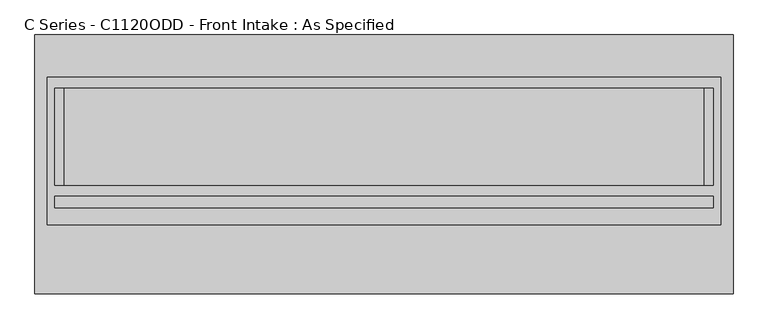
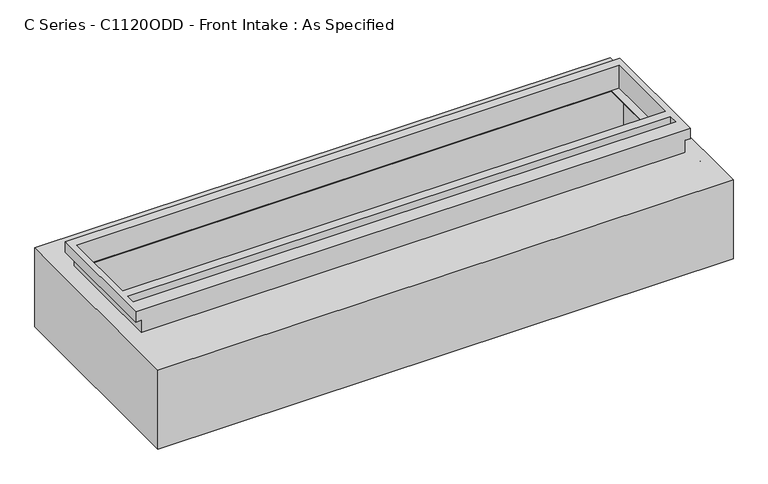
"""IFC4 building model written with IfcOpenShell, lengths in millimetres: proxy geometry, C Series - C1120ODD - Front Intake : As Specified."""

from ifc_helpers import new_model, si_unit, frame, origin, place, context, project, spatial, polyline, circle_curve, faceted_brep, source, transform, mapped, element, save
from ifc_brep_helpers import plane_surface, revolved_surface, advanced_brep


def c_series_c1120odd_front_intake_as_specified_7aa7cb8e(model_context):
    return source(origin(), model_context, "Body", "SolidModel", [
        advanced_brep(
        [(1831.18125, 678.7058594, -530.3242188), (1831.18125, -678.7058594, -530.3242188), (-1831.18125, -678.7058594, -530.3242188), (-1831.18125, 678.7058594, -530.3242188), (1831.18125, 678.7058594, 0.0), (-1831.18125, 678.7058594, 0.0), (-1831.18125, -678.7058594, 0.0), (1831.18125, -678.7058594, 0.0), (1676.4, 399.2065905, 0.0), (1676.4, -108.7933661, 0.0), (-1676.4, -108.7933661, 0.0), (-1676.4, 399.2065905, 0.0), (1831.18125, -318.2441406, -430.3117188), (1831.18125, -340.4691406, -430.3117188), (1831.18125, -216.6441406, -430.3117188), (1831.18125, -238.8691406, -430.3117188), (1831.18125, -318.2441406, -100.1117188), (1831.18125, -340.4691406, -100.1117188), (1831.18125, -216.6441406, -100.1117188), (1831.18125, -238.8691406, -100.1117188), (1765.3, 416.7683594, -527.05), (-1765.3, 416.7683594, -527.05), (-1765.3, -129.3316406, -527.05), (1765.3, -129.3316406, -527.05), (1765.3, 416.7683594, -3.175), (1765.3, -129.3316406, -3.175), (-1765.3, -129.3316406, -3.175), (-1765.3, 416.7683594, -3.175), (1676.4, -108.7933661, -3.175), (1676.4, 399.2065905, -3.175), (-1676.4, 399.2065905, -3.175), (-1676.4, -108.7933661, -3.175), (1815.328271, -340.4691406, -430.3117188), (1815.328271, -318.2441406, -430.3117188), (1815.328271, -238.8691406, -430.3117188), (1815.328271, -216.6441406, -430.3117188), (1815.328271, -340.4691406, -100.1117188), (1815.328271, -318.2441406, -100.1117188), (1815.328271, -238.8691406, -100.1117188), (1815.328271, -216.6441406, -100.1117188)],
        [
            (0, 1),
            (1, 2),
            (2, 3),
            (3, 0),
            (4, 5),
            (5, 6),
            (6, 7),
            (7, 4),
            (8, 9),
            (9, 10),
            (10, 11),
            (11, 8),
            (3, 5),
            (4, 0),
            (2, 6),
            (1, 7),
            (12, 13, circle_curve(frame((1831.18125, -329.3566406, -430.3117188), z_axis=(-1.0, 0.0, 0.0), x_axis=(0.0, 1.0, 0.0)), 11.1125)),
            (13, 12, circle_curve(frame((1831.18125, -329.3566406, -430.3117188), z_axis=(-1.0, 0.0, 0.0), x_axis=(0.0, 1.0, 0.0)), 11.1125)),
            (14, 15, circle_curve(frame((1831.18125, -227.7566406, -430.3117188), z_axis=(-1.0, 0.0, 0.0), x_axis=(0.0, 1.0, 0.0)), 11.1125)),
            (15, 14, circle_curve(frame((1831.18125, -227.7566406, -430.3117188), z_axis=(-1.0, 0.0, 0.0), x_axis=(0.0, 1.0, 0.0)), 11.1125)),
            (16, 17, circle_curve(frame((1831.18125, -329.3566406, -100.1117188), z_axis=(-1.0, 0.0, 0.0), x_axis=(0.0, 1.0, 0.0)), 11.1125)),
            (17, 16, circle_curve(frame((1831.18125, -329.3566406, -100.1117188), z_axis=(-1.0, 0.0, 0.0), x_axis=(0.0, 1.0, 0.0)), 11.1125)),
            (18, 19, circle_curve(frame((1831.18125, -227.7566406, -100.1117188), z_axis=(-1.0, 0.0, 0.0), x_axis=(0.0, 1.0, 0.0)), 11.1125)),
            (19, 18, circle_curve(frame((1831.18125, -227.7566406, -100.1117188), z_axis=(-1.0, 0.0, 0.0), x_axis=(0.0, 1.0, 0.0)), 11.1125)),
            (20, 21),
            (21, 22),
            (22, 23),
            (23, 20),
            (24, 25),
            (25, 26),
            (26, 27),
            (27, 24),
            (28, 29),
            (29, 30),
            (30, 31),
            (31, 28),
            (23, 25),
            (24, 20),
            (22, 26),
            (21, 27),
            (8, 29),
            (28, 9),
            (31, 10),
            (30, 11),
            (32, 33, circle_curve(frame((1815.328271, -329.3566406, -430.3117188), z_axis=(1.0, 0.0, 0.0), x_axis=(0.0, 1.0, 0.0)), 11.1125)),
            (33, 32, circle_curve(frame((1815.328271, -329.3566406, -430.3117188), z_axis=(1.0, 0.0, 0.0), x_axis=(0.0, 1.0, 0.0)), 11.1125)),
            (34, 35, circle_curve(frame((1815.328271, -227.7566406, -430.3117188), z_axis=(1.0, 0.0, 0.0), x_axis=(0.0, 1.0, 0.0)), 11.1125)),
            (35, 34, circle_curve(frame((1815.328271, -227.7566406, -430.3117188), z_axis=(1.0, 0.0, 0.0), x_axis=(0.0, 1.0, 0.0)), 11.1125)),
            (36, 37, circle_curve(frame((1815.328271, -329.3566406, -100.1117188), z_axis=(1.0, 0.0, 0.0), x_axis=(0.0, 1.0, 0.0)), 11.1125)),
            (37, 36, circle_curve(frame((1815.328271, -329.3566406, -100.1117188), z_axis=(1.0, 0.0, 0.0), x_axis=(0.0, 1.0, 0.0)), 11.1125)),
            (38, 39, circle_curve(frame((1815.328271, -227.7566406, -100.1117188), z_axis=(1.0, 0.0, 0.0), x_axis=(0.0, 1.0, 0.0)), 11.1125)),
            (39, 38, circle_curve(frame((1815.328271, -227.7566406, -100.1117188), z_axis=(1.0, 0.0, 0.0), x_axis=(0.0, 1.0, 0.0)), 11.1125)),
            (32, 13),
            (12, 33),
            (34, 15),
            (14, 35),
            (36, 17),
            (16, 37),
            (38, 19),
            (18, 39),
        ],
        [
            plane_surface(frame((-1831.18125, 678.7058594, -530.3242188), z_axis=(0.0, 0.0, -1.0), x_axis=(1.0, 0.0, 0.0))),
            plane_surface(frame((-1831.18125, 678.7058594, 0.0), z_axis=(0.0, 0.0, 1.0), x_axis=(-1.0, 0.0, 0.0))),
            plane_surface(frame((1831.18125, 678.7058594, 0.0), z_axis=(0.0, 1.0, 0.0), x_axis=(0.0, 0.0, -1.0))),
            plane_surface(frame((-1831.18125, 678.7058594, 0.0), z_axis=(-1.0, 0.0, 0.0), x_axis=(0.0, 0.0, -1.0))),
            plane_surface(frame((-1831.18125, -678.7058594, 0.0), z_axis=(0.0, -1.0, 0.0), x_axis=(0.0, 0.0, -1.0))),
            plane_surface(frame((1831.18125, -678.7058594, 0.0), z_axis=(1.0, 0.0, 0.0), x_axis=(0.0, 0.0, -1.0))),
            plane_surface(frame((1765.3, 416.7683594, -527.05), z_axis=(0.0, 0.0, 1.0), x_axis=(0.0, -1.0, 0.0))),
            plane_surface(frame((1765.3, 416.7683594, -3.175), z_axis=(0.0, 0.0, -1.0), x_axis=(0.0, 1.0, 0.0))),
            plane_surface(frame((1765.3, 416.7683594, -527.05), z_axis=(-1.0, 0.0, 0.0), x_axis=(0.0, 0.0, 1.0))),
            plane_surface(frame((1765.3, -129.3316406, -527.05), z_axis=(0.0, 1.0, 0.0), x_axis=(0.0, 0.0, 1.0))),
            plane_surface(frame((-1765.3, -129.3316406, -527.05), z_axis=(1.0, 0.0, 0.0), x_axis=(0.0, 0.0, 1.0))),
            plane_surface(frame((-1765.3, 416.7683594, -527.05), z_axis=(0.0, -1.0, 0.0), x_axis=(0.0, 0.0, 1.0))),
            plane_surface(frame((1676.4, 399.2065905, -25.4), z_axis=(-1.0, 0.0, 0.0), x_axis=(0.0, 0.0, 1.0))),
            plane_surface(frame((1676.4, -108.7933661, -25.4), z_axis=(0.0, 1.0, 0.0), x_axis=(0.0, 0.0, 1.0))),
            plane_surface(frame((-1676.4, -108.7933661, -25.4), z_axis=(1.0, 0.0, 0.0), x_axis=(0.0, 0.0, 1.0))),
            plane_surface(frame((-1676.4, 399.2065905, -25.4), z_axis=(0.0, -1.0, 0.0), x_axis=(0.0, 0.0, 1.0))),
            plane_surface(frame((1815.328271, -318.2441406, -430.3117188), z_axis=(1.0, 0.0, 0.0), x_axis=(0.0, 0.0, -1.0))),
            revolved_surface(polyline([(1831.18125, -318.2441406, -430.3117188), (1815.328271, -318.2441406, -430.3117188)]), (1815.328271, -329.3566406, -430.3117188), (1.0, 0.0, 0.0)),
            revolved_surface(polyline([(1831.18125, -216.6441406, -430.3117188), (1815.328271, -216.6441406, -430.3117188)]), (0.0, -227.7566406, -430.3117188), (1.0, 0.0, 0.0)),
            revolved_surface(polyline([(1831.18125, -318.2441406, -100.1117187), (1815.328271, -318.2441406, -100.1117187)]), (0.0, -329.3566406, -100.1117187), (1.0, 0.0, 0.0)),
            revolved_surface(polyline([(1831.18125, -216.6441406, -100.1117188), (1815.328271, -216.6441406, -100.1117188)]), (0.0, -227.7566406, -100.1117188), (1.0, 0.0, 0.0)),
        ],
        [
            (0, [[1, 2, 3, 4]]),
            (1, [[5, 6, 7, 8], [9, 10, 11, 12]]),
            (2, [[-4, 13, -5, 14]]),
            (3, [[-3, 15, -6, -13]]),
            (4, [[-2, 16, -7, -15]]),
            (5, [[-1, -14, -8, -16], [17, 18], [19, 20], [21, 22], [23, 24]]),
            (6, [[25, 26, 27, 28]]),
            (7, [[29, 30, 31, 32], [33, 34, 35, 36]]),
            (8, [[-28, 37, -29, 38]]),
            (9, [[-27, 39, -30, -37]]),
            (10, [[-26, 40, -31, -39]]),
            (11, [[-25, -38, -32, -40]]),
            (12, [[41, -33, 42, -9]]),
            (13, [[-42, -36, 43, -10]]),
            (14, [[-43, -35, 44, -11]]),
            (15, [[-41, -12, -44, -34]]),
            (16, [[45, 46]]),
            (16, [[47, 48]]),
            (16, [[49, 50]]),
            (16, [[51, 52]]),
            (17, [[-45, 53, -17, 54]]),
            (17, [[-46, -54, -18, -53]]),
            (18, [[-47, 55, -19, 56]]),
            (18, [[-48, -56, -20, -55]]),
            (19, [[-49, 57, -21, 58]]),
            (19, [[-50, -58, -22, -57]]),
            (20, [[-51, 59, -23, 60]]),
            (20, [[-52, -60, -24, -59]]),
        ],
    ),
        faceted_brep([(1765.3, 456.4558594, 152.4), (-1765.3, 456.4558594, 152.4), (-1765.3, -318.2441406, 152.4), (1765.3, -318.2441406, 152.4), (1727.2, 399.2065905, 152.4), (1727.2, -108.7933661, 152.4), (-1727.2, -108.7933661, 152.4), (-1727.2, 399.2065905, 152.4), (1727.2, -167.4316406, 152.4), (1727.2, -227.7566406, 152.4), (-1727.2, -227.7566406, 152.4), (-1727.2, -167.4316406, 152.4), (1730.375, -318.2441406, 0.0), (-1730.375, -318.2441406, 0.0), (-1730.375, 421.5308594, 0.0), (1730.375, 421.5308594, 0.0), (1727.2, -108.7933661, 0.0), (1727.2, 399.2065905, 0.0), (-1727.2, 399.2065905, 0.0), (-1727.2, -108.7933661, 0.0), (1765.3, 456.4558594, 82.55), (-1765.3, 456.4558594, 82.55), (-1765.3, -318.2441406, 82.55), (-1730.375, -318.2441406, 82.55), (1730.375, -318.2441406, 82.55), (1765.3, -318.2441406, 82.55), (1730.375, 421.5308594, 82.55), (-1730.375, 421.5308594, 82.55), (1727.2, -167.4316406, 82.55), (-1727.2, -167.4316406, 82.55), (-1727.2, -227.7566406, 82.55), (1727.2, -227.7566406, 82.55)], [[[0, 1, 2, 3], [4, 5, 6, 7], [8, 9, 10, 11]], [[12, 13, 14, 15], [16, 17, 18, 19]], [[1, 0, 20, 21]], [[2, 1, 21, 22]], [[3, 2, 22, 23, 13, 12, 24, 25]], [[0, 3, 25, 20]], [[24, 26, 27, 23, 22, 21, 20, 25]], [[26, 24, 12, 15]], [[27, 26, 15, 14]], [[23, 27, 14, 13]], [[16, 5, 4, 17]], [[5, 16, 19, 6]], [[6, 19, 18, 7]], [[17, 4, 7, 18]], [[28, 29, 30, 31]], [[28, 31, 9, 8]], [[31, 30, 10, 9]], [[30, 29, 11, 10]], [[29, 28, 8, 11]]]),
    ])


if __name__ == "__main__":
    model = new_model("IFC4")
    model_context = context("Model", 3, world=origin())
    ifc_project = project(units=[si_unit("LENGTHUNIT", "METRE", prefix="MILLI")], contexts=[model_context])
    site = spatial("IfcSite", under=ifc_project)
    building = spatial("IfcBuilding", under=site)
    placement = place(None, origin())
    c_series_c1120odd_front_intake_as_specified_shape = c_series_c1120odd_front_intake_as_specified_7aa7cb8e(model_context)
    element("IfcBuildingElementProxy", 1, Name="C Series - C1120ODD - Front Intake : As Specified", ObjectType="C Series - C1120ODD - Front Intake : As Specified", at=placement, inside=building, context=model_context, shape_type="MappedRepresentation", body=[
        mapped(c_series_c1120odd_front_intake_as_specified_shape, transform((0.0, 0.0, 0.0), x_axis=(1.0, 0.0, 0.0), y_axis=(0.0, 1.0, 0.0), z_axis=(0.0, 0.0, 1.0))),
    ])
    save(model, "model.ifc")
